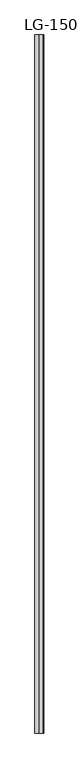
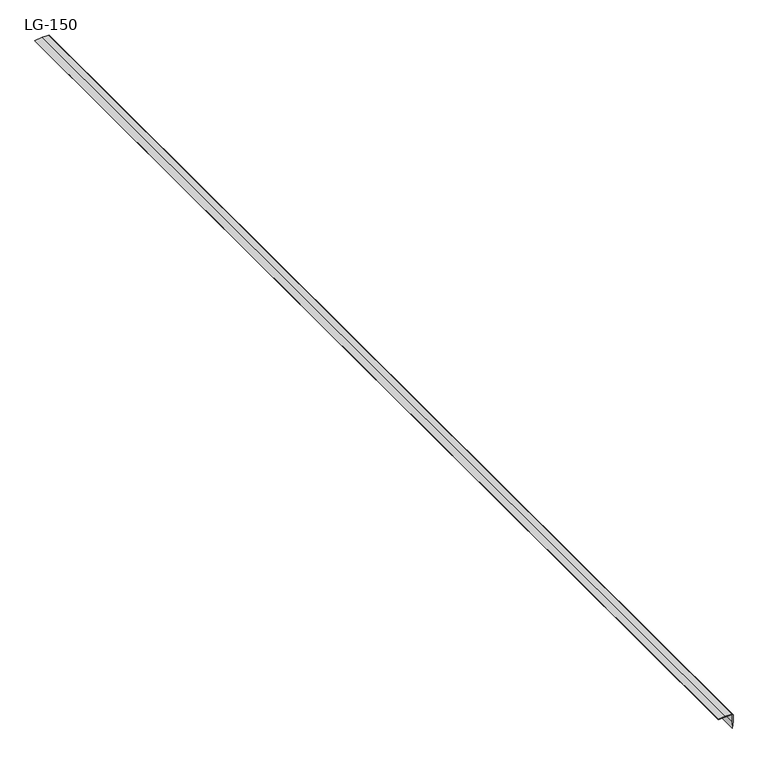
"""IFC4 building model written with IfcOpenShell, lengths in millimetres: proxy geometry, LG-150."""

from ifc_helpers import new_model, si_unit, point, frame, frame_2d, origin, place, context, project, spatial, polyline, circle_curve, trimmed, segment, composite_curve, outline, extrude, source, transform, mapped, element, save


def lg_150_86e9d7f3(model_context):
    return source(origin(), model_context, "Body", "SweptSolid", [
        extrude(outline(composite_curve([segment(polyline([(2.7770667, -17.2042667), (0.9482667, -35.3568), (0.0, -35.3568), (0.8466667, -18.1186667), (1.2192, -0.4233333)]), True, "CONTINUOUS"), segment(trimmed(circle_curve(frame_2d((-0.4148667, -0.4148667)), 1.6340886), [point((1.2192, -0.4233333))], [point((-0.4064, 1.2192))], True, "CARTESIAN"), True, "CONTINUOUS"), segment(polyline([(-0.4064, 1.2192), (-18.0848, 0.8466667), (-35.3229333, 0.0), (-35.3229333, 0.9482667), (-17.2042667, 2.7432), (-0.4064, 2.7432)]), True, "CONTINUOUS"), segment(trimmed(circle_curve(frame_2d((-0.4148664, -0.4148664)), 3.1580778), [point((-0.4064, 2.7432))], [point((2.7432, -0.4233333))], False, "CARTESIAN"), True, "CONTINUOUS"), segment(polyline([(2.7432, -0.4233333), (2.7770667, -17.2042667)]), True, "CONTINUOUS")], self_intersect=False)), frame((0.0, -1141.4125, 0.0), z_axis=(0.0, 1.0, 0.0), x_axis=(0.0, 0.0, 1.0)), (0.0, 0.0, 1.0), 3021.0125),
    ])


if __name__ == "__main__":
    model = new_model("IFC4")
    model_context = context("Model", 3, world=origin())
    ifc_project = project(units=[si_unit("LENGTHUNIT", "METRE", prefix="MILLI")], contexts=[model_context])
    site = spatial("IfcSite", under=ifc_project)
    building = spatial("IfcBuilding", under=site)
    placement = place(None, origin())
    lg_150_shape = lg_150_86e9d7f3(model_context)
    element("IfcBuildingElementProxy", 1, Name="LG-150", ObjectType="LG-150", at=placement, inside=building, context=model_context, shape_type="MappedRepresentation", body=[
        mapped(lg_150_shape, transform((0.0, 0.0, 0.0), x_axis=(1.0, 0.0, 0.0), y_axis=(0.0, 1.0, 0.0), z_axis=(0.0, 0.0, 1.0))),
    ])
    save(model, "model.ifc")
